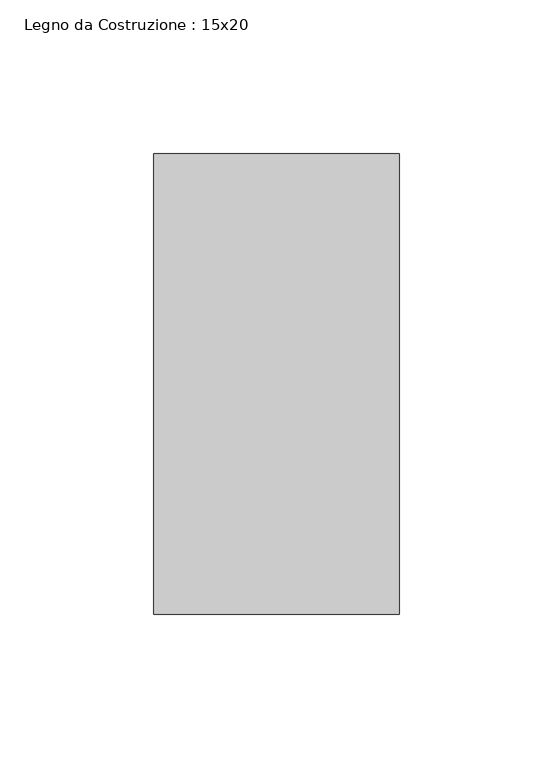
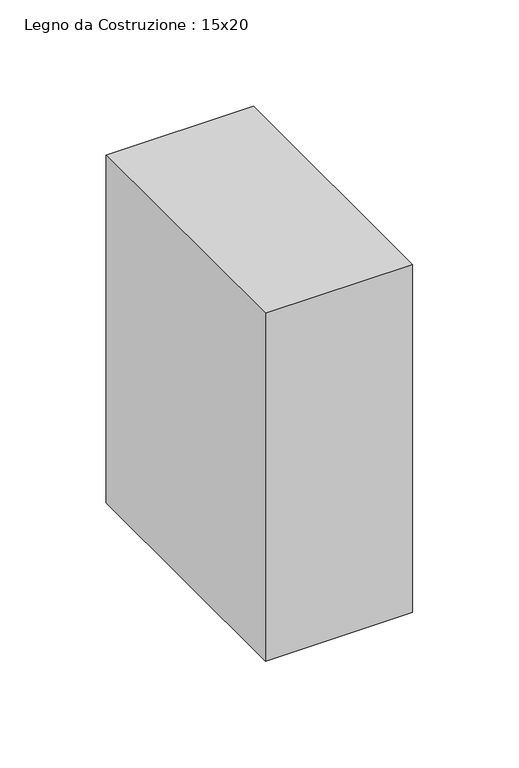
"""IFC4 building model written with IfcOpenShell, lengths in millimetres: beam geometry, Legno da Costruzione : 15x20."""

from ifc_helpers import new_model, si_unit, frame, origin, place, context, project, spatial, polyline, outline, extrude, source, transform, mapped, element, save


def legno_da_costruzione_15x20_5db8f34a(model_context):
    return source(origin(), model_context, "Body", "SweptSolid", [
        extrude(outline(polyline([(40.0, 75.0), (40.0, -75.0), (-40.0, -75.0), (-40.0, 75.0), (40.0, 75.0)])), frame((0.0, 0.0, -100.0), z_axis=(0.0, 0.0, 1.0), x_axis=(1.0, 0.0, 0.0)), (0.0, 0.0, 1.0), 200.0),
    ])


if __name__ == "__main__":
    model = new_model("IFC4")
    model_context = context("Model", 3, world=origin())
    ifc_project = project(units=[si_unit("LENGTHUNIT", "METRE", prefix="MILLI")], contexts=[model_context])
    site = spatial("IfcSite", under=ifc_project)
    building = spatial("IfcBuilding", under=site)
    placement = place(None, origin())
    legno_da_costruzione_15x20_shape = legno_da_costruzione_15x20_5db8f34a(model_context)
    element("IfcBeam", 1, ObjectType="Legno da Costruzione : 15x20", at=placement, inside=building, context=model_context, shape_type="MappedRepresentation", body=[
        mapped(legno_da_costruzione_15x20_shape, transform((0.0, 0.0, 0.0), x_axis=(1.0, 0.0, 0.0), y_axis=(0.0, 1.0, 0.0), z_axis=(0.0, 0.0, 1.0))),
    ])
    save(model, "model.ifc")
